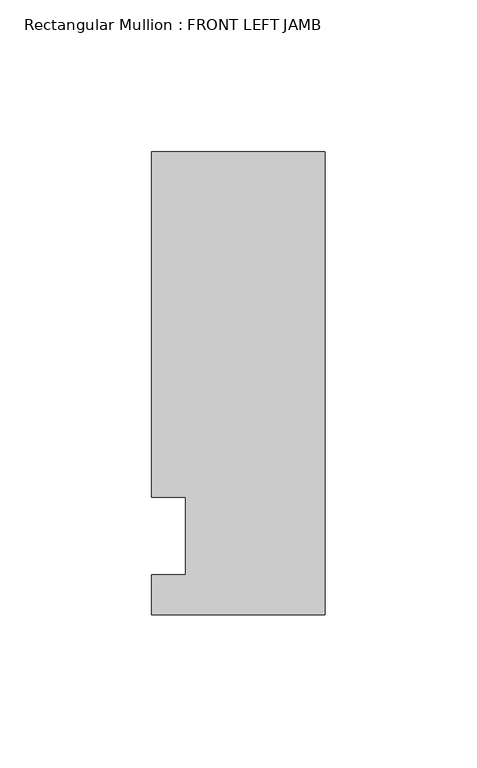
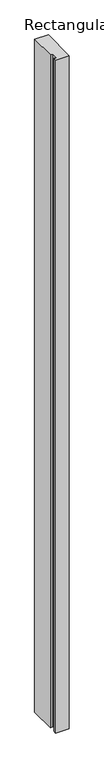
"""IFC4 building model written with IfcOpenShell, lengths in millimetres: member geometry, Rectangular Mullion : FRONT LEFT JAMB."""

from ifc_helpers import new_model, si_unit, frame, origin, place, context, project, spatial, polyline, outline, extrude, source, transform, mapped, element, save


def rectangular_mullion_front_left_jamb_724c0d93(model_context):
    return source(origin(), model_context, "Body", "SweptSolid", [
        extrude(outline(polyline([(-57.15, -38.5960937), (-57.15, -25.4007937), (-46.0375, -25.4007937), (-46.0375, -0.0007937), (-57.15, -0.0007937), (-57.15, 113.8039063), (0.0, 113.8039062), (0.0, -38.5960938), (-57.15, -38.5960937)])), frame((0.0, 0.0, -2990.85), z_axis=(0.0, 0.0, 1.0), x_axis=(1.0, 0.0, 0.0)), (0.0, 0.0, 1.0), 2990.85),
    ])


if __name__ == "__main__":
    model = new_model("IFC4")
    model_context = context("Model", 3, world=origin())
    ifc_project = project(units=[si_unit("LENGTHUNIT", "METRE", prefix="MILLI")], contexts=[model_context])
    site = spatial("IfcSite", under=ifc_project)
    building = spatial("IfcBuilding", under=site)
    placement = place(None, origin())
    rectangular_mullion_front_left_jamb_shape = rectangular_mullion_front_left_jamb_724c0d93(model_context)
    element("IfcMember", 1, ObjectType="Rectangular Mullion : FRONT LEFT JAMB", at=placement, inside=building, context=model_context, shape_type="MappedRepresentation", body=[
        mapped(rectangular_mullion_front_left_jamb_shape, transform((0.0, 0.0, 0.0), x_axis=(1.0, 0.0, 0.0), y_axis=(0.0, 1.0, 0.0), z_axis=(0.0, 0.0, 1.0))),
    ])
    save(model, "model.ifc")
